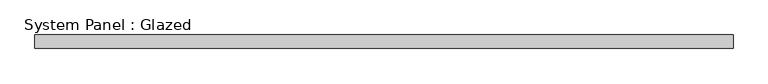
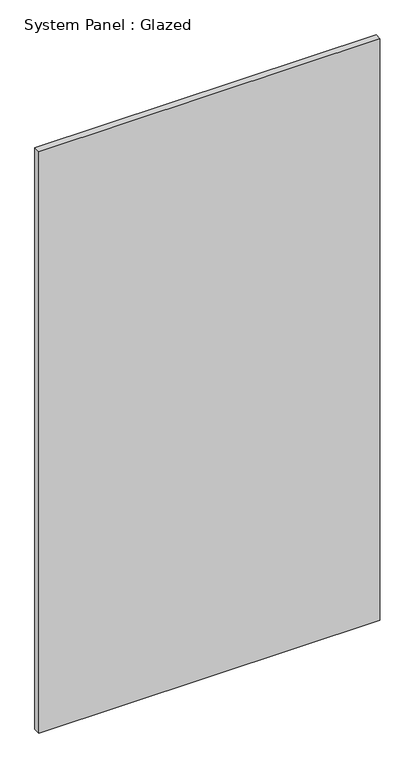
"""IFC4 building model written with IfcOpenShell, lengths in millimetres: plate geometry, System Panel : Glazed."""

from ifc_helpers import new_model, si_unit, origin, origin_with_axes, place, context, project, spatial, polyline, outline, extrude, source, transform, mapped, element, save


def system_panel_glazed_64af4cd0(model_context):
    return source(origin(), model_context, "Body", "SweptSolid", [
        extrude(outline(polyline([(645.3125, 24.5), (-645.3125, 24.5), (-645.3125, 49.5), (645.3125, 49.5), (645.3125, 24.5)])), origin_with_axes(), (0.0, 0.0, 1.0), 2325.0),
    ])


if __name__ == "__main__":
    model = new_model("IFC4")
    model_context = context("Model", 3, world=origin())
    ifc_project = project(units=[si_unit("LENGTHUNIT", "METRE", prefix="MILLI")], contexts=[model_context])
    site = spatial("IfcSite", under=ifc_project)
    building = spatial("IfcBuilding", under=site)
    placement = place(None, origin())
    system_panel_glazed_shape = system_panel_glazed_64af4cd0(model_context)
    element("IfcPlate", 1, ObjectType="System Panel : Glazed", at=placement, inside=building, context=model_context, shape_type="MappedRepresentation", body=[
        mapped(system_panel_glazed_shape, transform((0.0, 0.0, 0.0), x_axis=(1.0, 0.0, 0.0), y_axis=(0.0, 1.0, 0.0), z_axis=(0.0, 0.0, 1.0))),
    ])
    save(model, "model.ifc")
